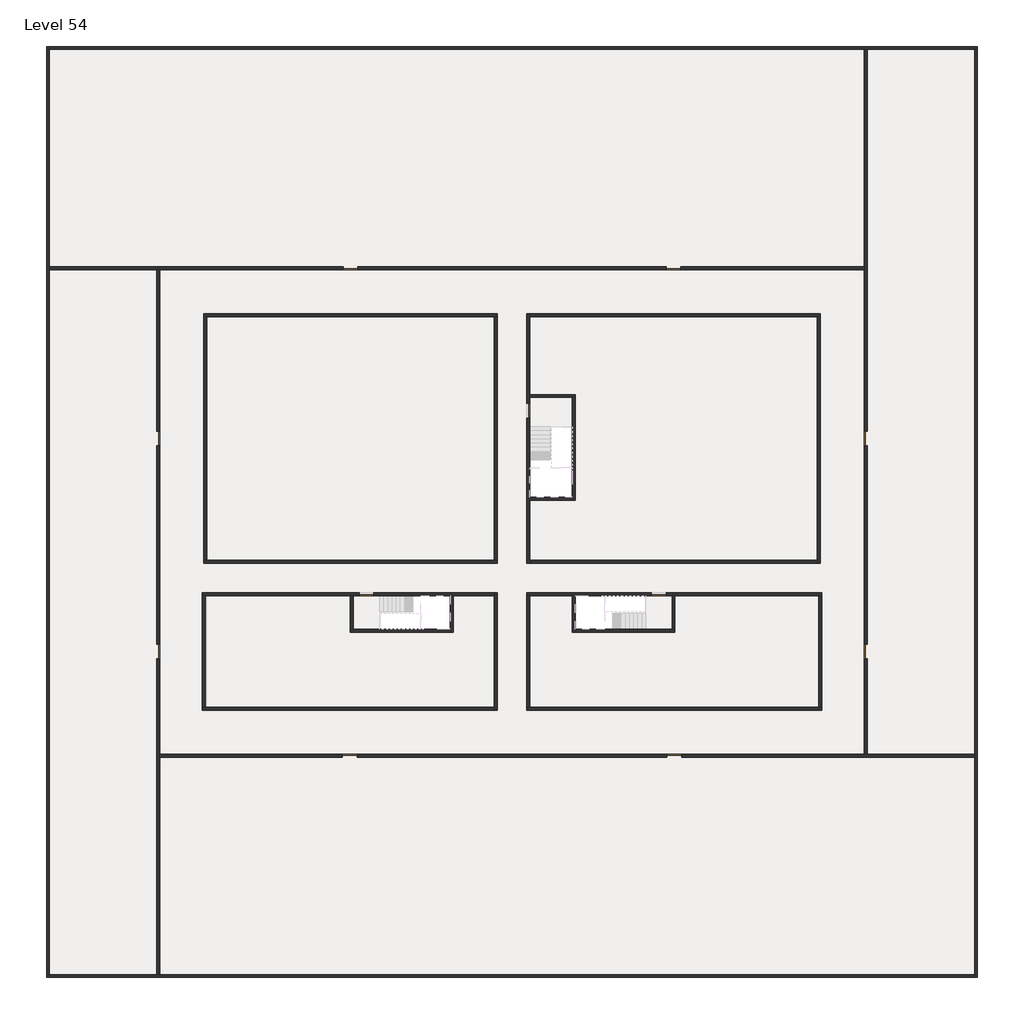
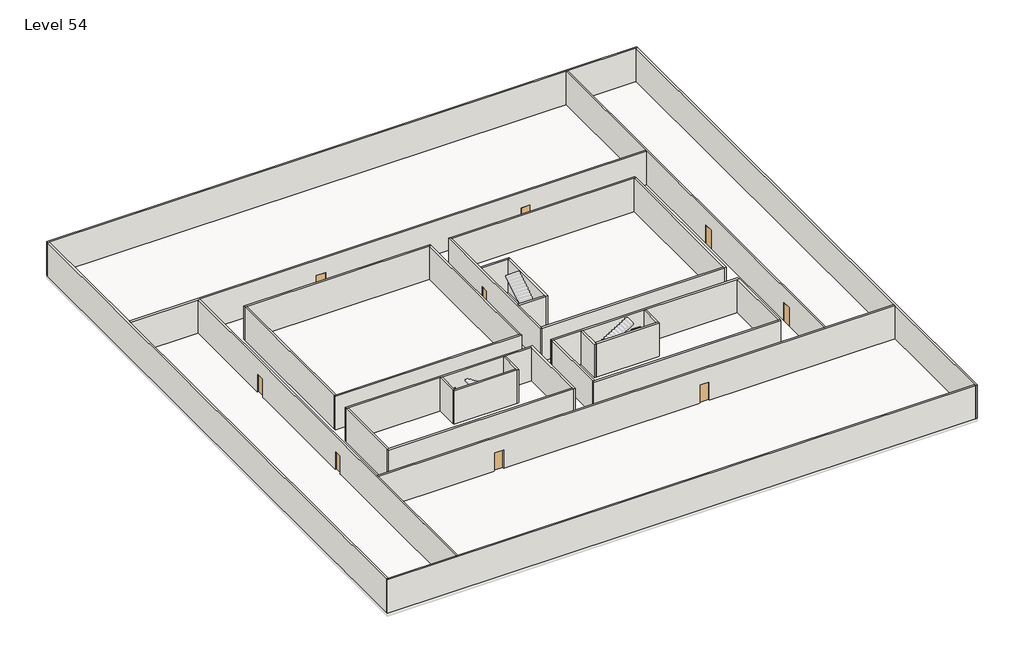
# One storey, part 1 of 2: 33 walls, 11 doors.
"""IFC4 building model written with IfcOpenShell, lengths in millimetres."""

import ifcopenshell
import ifcopenshell.guid

model = None  # the IFC model being written
_history = None  # IfcOwnerHistory: only IFC2X3 demands one
_inside = {}  # id of a spatial element -> (the spatial element, [elements in it])
_under = {}  # id of a project, library or spatial element -> (it, [spatial elements below it])
_declared = {}  # id of a project -> (the project, [libraries it declares])
_typed = {}  # id of a type object -> (the type object, [elements of that type])
_made_of = {}  # id of a material, layer set ... -> (it, [elements and type objects made of it])


def new_model(schema):
    """Start an empty IFC model of exactly this schema.

    Asked for "IFC4X3", IfcOpenShell would pick the latest addendum, in which some entities
    have other attributes; the version numbers below select the first issue.
    IFC2X3 requires an IfcOwnerHistory on every rooted entity: one is made here for all.
    """
    global model, _history
    if schema == "IFC4X3":
        model = ifcopenshell.file(schema_version=(4, 3, 0, 0))
    else:
        model = ifcopenshell.file(schema=schema)
    _inside.clear()
    _under.clear()
    _declared.clear()
    _typed.clear()
    _made_of.clear()
    _history = None
    if model.schema == "IFC2X3":
        org = make("IfcOrganization", Name="unknown")
        user = make(
            "IfcPersonAndOrganization",
            ThePerson=make("IfcPerson", FamilyName="unknown"),
            TheOrganization=org,
        )
        app = make(
            "IfcApplication",
            ApplicationDeveloper=org,
            Version="unknown",
            ApplicationFullName="unknown",
            ApplicationIdentifier="unknown",
        )
        _history = make(
            "IfcOwnerHistory",
            OwningUser=user,
            OwningApplication=app,
            ChangeAction="ADDED",
            CreationDate=0,
        )
    return model


def make(cls, **values):
    """One entity of the class cls with the attributes given. An attribute that is None is left unset."""
    return model.create_entity(
        cls, **{name: value for name, value in values.items() if value is not None}
    )


def rooted(cls, **values):
    """An entity with a GlobalId (a new one), such as an element, a storey or a relation."""
    return make(cls, GlobalId=ifcopenshell.guid.new(), OwnerHistory=_history, **values)


def si_unit(unit_type, name, prefix=None):
    """IfcSIUnit, for example si_unit("LENGTHUNIT", "METRE", prefix="MILLI")."""
    return make("IfcSIUnit", UnitType=unit_type, Prefix=prefix, Name=name)


def assignment(units):
    """IfcUnitAssignment: the units of a project."""
    return None if units is None else make("IfcUnitAssignment", Units=units)


def point(xyz):
    """IfcCartesianPoint."""
    return None if xyz is None else make("IfcCartesianPoint", Coordinates=xyz)


def direction(xyz):
    """IfcDirection."""
    return None if xyz is None else make("IfcDirection", DirectionRatios=xyz)


def frame(location, z_axis=None, x_axis=None):
    """IfcAxis2Placement3D, a coordinate frame: its origin and axes. An axis left out is left unset."""
    return make(
        "IfcAxis2Placement3D",
        Location=point(location),
        Axis=direction(z_axis),
        RefDirection=direction(x_axis),
    )


def origin():
    """The frame at (0, 0, 0) with its axes left unset."""
    return frame((0.0, 0.0, 0.0))


def origin_with_axes():
    """The frame at (0, 0, 0) with the z axis (0, 0, 1) and the x axis (1, 0, 0) written out."""
    return frame((0.0, 0.0, 0.0), z_axis=(0.0, 0.0, 1.0), x_axis=(1.0, 0.0, 0.0))


def place(relative_to, where):
    """IfcLocalPlacement: puts the frame where relative to a parent placement (None: the world)."""
    return make(
        "IfcLocalPlacement", PlacementRelTo=relative_to, RelativePlacement=where
    )


def context(
    kind, dimensions, precision=None, world=None, true_north=None, identifier=None
):
    """IfcGeometricRepresentationContext, for example the 3D "Model" context."""
    return make(
        "IfcGeometricRepresentationContext",
        ContextIdentifier=identifier,
        ContextType=kind,
        CoordinateSpaceDimension=dimensions,
        Precision=precision,
        WorldCoordinateSystem=world,
        TrueNorth=true_north,
    )


def project(units=None, contexts=None):
    """IfcProject with its units and contexts."""
    return rooted(
        "IfcProject",
        Name="project",
        RepresentationContexts=contexts,
        UnitsInContext=assignment(units),
    )


def spatial(cls, under=None, at=None, **own):
    """A site, building, storey or space (cls), placed at a placement, below another one or the project."""
    s = rooted(cls, ObjectPlacement=at, **own)
    if under is not None:
        _under.setdefault(under.id(), (under, []))[1].append(s)
    return s


def polyline(points):
    """IfcPolyline through the points."""
    return make("IfcPolyline", Points=[point(p) for p in points])


def outline(outer, holes=None, kind="AREA"):
    """IfcArbitraryClosedProfileDef: a profile drawn as a closed curve; with holes, ...WithVoids."""
    if holes is None:
        return make("IfcArbitraryClosedProfileDef", ProfileType=kind, OuterCurve=outer)
    return make(
        "IfcArbitraryProfileDefWithVoids",
        ProfileType=kind,
        OuterCurve=outer,
        InnerCurves=holes,
    )


def extrude(swept, where, along, depth):
    """IfcExtrudedAreaSolid: the profile swept, set in the frame where, extruded along a direction by depth."""
    return make(
        "IfcExtrudedAreaSolid",
        SweptArea=swept,
        Position=where,
        ExtrudedDirection=direction(along),
        Depth=depth,
    )


def faces_of(points, faces, orient=None, outer=None):
    """IfcFace entities. A face is a list of loops; a loop is a list of indices into points, from 0.

    orient and outer hold one flag for each loop. By default every Orientation is true, the
    first loop of a face is its IfcFaceOuterBound and the others are IfcFaceBound.
    """
    made = []
    for i, loops in enumerate(faces):
        bounds = []
        for j, loop in enumerate(loops):
            is_outer = j == 0 if outer is None else outer[i][j]
            bounds.append(
                make(
                    "IfcFaceOuterBound" if is_outer else "IfcFaceBound",
                    Bound=make("IfcPolyLoop", Polygon=[points[k] for k in loop]),
                    Orientation=True if orient is None else orient[i][j],
                )
            )
        made.append(make("IfcFace", Bounds=bounds))
    return made


def faceted_brep(points, faces, orient=None, outer=None, voids=None):
    """IfcFacetedBrep: a solid bounded by flat faces; with voids (closed shells), ...WithVoids."""
    shared = [point(p) for p in points]
    hull = make("IfcClosedShell", CfsFaces=faces_of(shared, faces, orient, outer))
    if voids is None:
        return make("IfcFacetedBrep", Outer=hull)
    return make(
        "IfcFacetedBrepWithVoids",
        Outer=hull,
        Voids=[
            make(cls, CfsFaces=faces_of(shared, fs, o, b)) for cls, fs, o, b in voids
        ],
    )


def shape(context_of_items, identifier, shape_type, items):
    """IfcShapeRepresentation: the items that make up one representation, for example the "Body"."""
    return make(
        "IfcShapeRepresentation",
        ContextOfItems=context_of_items,
        RepresentationIdentifier=identifier,
        RepresentationType=shape_type,
        Items=items,
    )


def source(mapping_origin, context_of_items, identifier, shape_type, items):
    """IfcRepresentationMap: a shape defined once, which mapped items show again and again."""
    return make(
        "IfcRepresentationMap",
        MappingOrigin=mapping_origin,
        MappedRepresentation=shape(context_of_items, identifier, shape_type, items),
    )


def transform(
    local_origin,
    x_axis=None,
    y_axis=None,
    z_axis=None,
    scale=None,
    scale2=None,
    scale3=None,
    uniform=True,
):
    """IfcCartesianTransformationOperator3D, or its non-uniform kind. x_axis, y_axis, z_axis: its Axis1, 2, 3."""
    if uniform:
        return make(
            "IfcCartesianTransformationOperator3D",
            Axis1=direction(x_axis),
            Axis2=direction(y_axis),
            LocalOrigin=point(local_origin),
            Scale=scale,
            Axis3=direction(z_axis),
        )
    return make(
        "IfcCartesianTransformationOperator3DnonUniform",
        Axis1=direction(x_axis),
        Axis2=direction(y_axis),
        LocalOrigin=point(local_origin),
        Scale=scale,
        Axis3=direction(z_axis),
        Scale2=scale2,
        Scale3=scale3,
    )


def mapped(mapping_source, mapping_target):
    """IfcMappedItem: shows the shape of a source again, moved by a transform."""
    return make(
        "IfcMappedItem", MappingSource=mapping_source, MappingTarget=mapping_target
    )


def made_of(thing, what):
    """Note that an element or type object is made of a material, layer set ...; save() writes the relation."""
    if what is not None:
        _made_of.setdefault(what.id(), (what, []))[1].append(thing)
    return thing


def element(
    cls,
    number,
    at=None,
    inside=None,
    cuts=None,
    type_object=None,
    material=None,
    context=None,
    identifier="Body",
    shape_type=None,
    held_by="IfcProductDefinitionShape",
    body=None,
    shapes=None,
    **own,
):
    """One element of the class cls, such as IfcWall. Its Tag is "e" and its number.

    at: its placement. inside: the storey or other place that contains it. cuts: it is an
    opening in that element (IfcRelVoidsElement). A single representation is given by context,
    identifier, shape_type and body (its items); several are given by shapes. held_by: the class
    of the entity that holds the representations. save() writes the other relations.
    """
    e = rooted(cls, Tag="e%d" % number, ObjectPlacement=at, **own)
    if body is not None:
        shapes = [shape(context, identifier, shape_type, body)]
    if shapes is not None:
        e.Representation = make(held_by, Representations=shapes)
    if inside is not None:
        _inside.setdefault(inside.id(), (inside, []))[1].append(e)
    if cuts is not None:
        rooted(
            "IfcRelVoidsElement", RelatingBuildingElement=cuts, RelatedOpeningElement=e
        )
    if type_object is not None:
        _typed.setdefault(type_object.id(), (type_object, []))[1].append(e)
    return made_of(e, material)


def aggregate(whole, parts):
    """IfcRelAggregates: a whole, such as a stair, and the parts it consists of."""
    return rooted("IfcRelAggregates", RelatingObject=whole, RelatedObjects=parts)


def save(model, path):
    """Write the relations noted so far, then the file.

    IfcRelAggregates (storeys below a building ...), IfcRelContainedInSpatialStructure (elements
    in a storey), IfcRelDefinesByType, IfcRelAssociatesMaterial and IfcRelDeclares: one each for
    every whole, place, type object, material and project.
    """
    for whole, parts in _under.values():
        aggregate(whole, parts)
    for where, things in _inside.values():
        rooted(
            "IfcRelContainedInSpatialStructure",
            RelatedElements=things,
            RelatingStructure=where,
        )
    for kind, things in _typed.values():
        rooted("IfcRelDefinesByType", RelatedObjects=things, RelatingType=kind)
    for what, things in _made_of.values():
        rooted("IfcRelAssociatesMaterial", RelatedObjects=things, RelatingMaterial=what)
    for by, libraries in _declared.values():
        rooted("IfcRelDeclares", RelatingContext=by, RelatedDefinitions=libraries)
    model.write(path)


def door_fb3c37fd(model_context):
    return source(origin(), model_context, "Body", "SweptSolid", [
        extrude(outline(polyline([(500.0, 49.0), (-500.0, 49.0), (-500.0, 100.0), (500.0, 100.0), (500.0, 49.0)])), origin_with_axes(), (0.0, 0.0, 1.0), 2100.0),
    ])


def door_0317a72c(model_context):
    return source(origin(), model_context, "Body", "SweptSolid", [
        extrude(outline(polyline([(500.0, -49.0), (500.0, -100.0), (-500.0, -100.0), (-500.0, -49.0), (500.0, -49.0)])), origin_with_axes(), (0.0, 0.0, 1.0), 2100.0),
    ])


model = new_model("IFC4")

# Units and contexts
model_context = context("Model", 3, world=origin())
ifc_project = project(units=[si_unit("LENGTHUNIT", "METRE", prefix="MILLI")], contexts=[model_context])

# Site, building, storey
site = spatial("IfcSite", under=ifc_project)
building = spatial("IfcBuilding", under=site)
storey = spatial("IfcBuildingStorey", under=building, Name="Level 54", Elevation=201400.0)

# Doors
placement = place(None, origin())
door_shape = door_fb3c37fd(model_context)
element("IfcDoor", 1, at=placement, inside=storey, context=model_context, shape_type="MappedRepresentation", body=[
    mapped(door_shape, transform((14290.1058784, -42818.09644, 201400.0), x_axis=(-1.0, 0.0, 0.0), y_axis=(0.0, -1.0, 0.0), z_axis=(0.0, 0.0, 1.0))),
])
element("IfcDoor", 2, at=placement, inside=storey, context=model_context, shape_type="MappedRepresentation", body=[
    mapped(door_shape, transform((35190.1058784, -20618.09644, 201400.0), x_axis=(-1.0, 0.0, 0.0), y_axis=(0.0, -1.0, 0.0), z_axis=(0.0, 0.0, 1.0))),
])
element("IfcDoor", 3, at=placement, inside=storey, context=model_context, shape_type="MappedRepresentation", body=[
    mapped(door_shape, transform((13190.1058784, -20618.09644, 201400.0), x_axis=(-1.0, 0.0, 0.0), y_axis=(0.0, -1.0, 0.0), z_axis=(0.0, 0.0, 1.0))),
])
element("IfcDoor", 4, at=placement, inside=storey, context=model_context, shape_type="MappedRepresentation", body=[
    mapped(door_shape, transform((90.1058784, -32218.09644, 201400.0), x_axis=(0.0, -1.0, 0.0), y_axis=(1.0, 0.0, 0.0), z_axis=(0.0, 0.0, 1.0))),
])
element("IfcDoor", 5, at=placement, inside=storey, context=model_context, shape_type="MappedRepresentation", body=[
    mapped(door_shape, transform((90.1058784, -46718.09644, 201400.0), x_axis=(0.0, -1.0, 0.0), y_axis=(1.0, 0.0, 0.0), z_axis=(0.0, 0.0, 1.0))),
])
element("IfcDoor", 6, at=placement, inside=storey, context=model_context, shape_type="MappedRepresentation", body=[
    mapped(door_shape, transform((13140.1058784, -53818.09644, 201400.0), x_axis=(1.0, 0.0, 0.0), y_axis=(0.0, 1.0, 0.0), z_axis=(0.0, 0.0, 1.0))),
])
element("IfcDoor", 7, at=placement, inside=storey, context=model_context, shape_type="MappedRepresentation", body=[
    mapped(door_shape, transform((35240.1058784, -53818.09644, 201400.0), x_axis=(1.0, 0.0, 0.0), y_axis=(0.0, 1.0, 0.0), z_axis=(0.0, 0.0, 1.0))),
])
door_2_shape = door_0317a72c(model_context)
element("IfcDoor", 8, at=placement, inside=storey, context=model_context, shape_type="MappedRepresentation", body=[
    mapped(door_2_shape, transform((25290.1058784, -30318.09644, 201400.0), x_axis=(0.0, 1.0, 0.0), y_axis=(-1.0, 0.0, 0.0), z_axis=(0.0, 0.0, 1.0))),
])
element("IfcDoor", 9, at=placement, inside=storey, context=model_context, shape_type="MappedRepresentation", body=[
    mapped(door_2_shape, transform((34190.1058784, -42818.09644, 201400.0), x_axis=(1.0, 0.0, 0.0), y_axis=(0.0, 1.0, 0.0), z_axis=(0.0, 0.0, 1.0))),
])
element("IfcDoor", 10, at=placement, inside=storey, context=model_context, shape_type="MappedRepresentation", body=[
    mapped(door_2_shape, transform((48290.1058784, -46718.09644, 201400.0), x_axis=(0.0, -1.0, 0.0), y_axis=(1.0, 0.0, 0.0), z_axis=(0.0, 0.0, 1.0))),
])
element("IfcDoor", 11, at=placement, inside=storey, context=model_context, shape_type="MappedRepresentation", body=[
    mapped(door_2_shape, transform((48290.1058784, -32218.09644, 201400.0), x_axis=(0.0, -1.0, 0.0), y_axis=(1.0, 0.0, 0.0), z_axis=(0.0, 0.0, 1.0))),
])

# Walls
element("IfcWall", 12, at=placement, inside=storey, context=model_context, shape_type="Brep", body=[
    faceted_brep([(-7509.8941216, -5718.09644, 201400.0), (-7309.8941216, -5718.09644, 201400.0), (48190.1058784, -5718.09644, 201400.0), (48390.1058784, -5718.09644, 201400.0), (55690.1058784, -5718.09644, 201400.0), (55890.1058784, -5718.09644, 201400.0), (55890.1058784, -5718.09644, 205200.0), (55690.1058784, -5718.09644, 205200.0), (48390.1058784, -5718.09644, 205200.0), (48190.1058784, -5718.09644, 205200.0), (-7309.8941216, -5718.09644, 205200.0), (-7509.8941216, -5718.09644, 205200.0), (-7509.8941216, -5518.09644, 201400.0), (-7509.8941216, -5518.09644, 205200.0), (55890.1058784, -5518.09644, 205200.0), (55890.1058784, -5518.09644, 201400.0)], [[[0, 1, 2, 3, 4, 5, 6, 7, 8, 9, 10, 11]], [[12, 13, 14, 15]], [[5, 4, 3, 2, 1, 0, 12, 15]], [[11, 10, 9, 8, 7, 6, 14, 13]], [[0, 11, 13, 12]], [[6, 5, 15, 14]]]),
])
element("IfcWall", 13, at=placement, inside=storey, context=model_context, shape_type="Brep", body=[
    faceted_brep([(55690.1058784, -5718.09644, 201400.0), (55690.1058784, -53718.09644, 201400.0), (55690.1058784, -53918.09644, 201400.0), (55690.1058784, -68718.09644, 201400.0), (55690.1058784, -68918.09644, 201400.0), (55690.1058784, -68918.09644, 205200.0), (55690.1058784, -68718.09644, 205200.0), (55690.1058784, -53918.09644, 205200.0), (55690.1058784, -53718.09644, 205200.0), (55690.1058784, -5718.09644, 205200.0), (55890.1058784, -5718.09644, 201400.0), (55890.1058784, -5718.09644, 205200.0), (55890.1058784, -68918.09644, 205200.0), (55890.1058784, -68918.09644, 201400.0)], [[[0, 1, 2, 3, 4, 5, 6, 7, 8, 9]], [[10, 11, 12, 13]], [[4, 3, 2, 1, 0, 10, 13]], [[9, 8, 7, 6, 5, 12, 11]], [[5, 4, 13, 12]], [[0, 9, 11, 10]]]),
])
element("IfcWall", 14, at=placement, inside=storey, context=model_context, shape_type="Brep", body=[
    faceted_brep([(55690.1058784, -68718.09644, 201400.0), (190.1058784, -68718.09644, 201400.0), (-9.8941216, -68718.09644, 201400.0), (-7309.8941216, -68718.09644, 201400.0), (-7509.8941216, -68718.09644, 201400.0), (-7509.8941216, -68718.09644, 205200.0), (-7309.8941216, -68718.09644, 205200.0), (-9.8941216, -68718.09644, 205200.0), (190.1058784, -68718.09644, 205200.0), (55690.1058784, -68718.09644, 205200.0), (55690.1058784, -68918.09644, 201400.0), (55690.1058784, -68918.09644, 205200.0), (-7509.8941216, -68918.09644, 205200.0), (-7509.8941216, -68918.09644, 201400.0)], [[[0, 1, 2, 3, 4, 5, 6, 7, 8, 9]], [[10, 11, 12, 13]], [[4, 3, 2, 1, 0, 10, 13]], [[9, 8, 7, 6, 5, 12, 11]], [[5, 4, 13, 12]], [[0, 9, 11, 10]]]),
])
element("IfcWall", 15, at=placement, inside=storey, context=model_context, shape_type="Brep", body=[
    faceted_brep([(-7309.8941216, -68718.09644, 201400.0), (-7309.8941216, -20718.09644, 201400.0), (-7309.8941216, -20518.09644, 201400.0), (-7309.8941216, -5718.09644, 201400.0), (-7309.8941216, -5718.09644, 205200.0), (-7309.8941216, -20518.09644, 205200.0), (-7309.8941216, -20718.09644, 205200.0), (-7309.8941216, -68718.09644, 205200.0), (-7509.8941216, -68718.09644, 201400.0), (-7509.8941216, -68718.09644, 205200.0), (-7509.8941216, -5718.09644, 205200.0), (-7509.8941216, -5718.09644, 201400.0)], [[[0, 1, 2, 3, 4, 5, 6, 7]], [[8, 9, 10, 11]], [[3, 2, 1, 0, 8, 11]], [[7, 6, 5, 4, 10, 9]], [[0, 7, 9, 8]], [[4, 3, 11, 10]]]),
])
element("IfcWall", 16, at=placement, inside=storey, context=model_context, shape_type="Brep", body=[
    faceted_brep([(3190.1058784, -23918.09644, 201400.0), (3390.1058784, -23918.09644, 201400.0), (22990.1058784, -23918.09644, 201400.0), (23190.1058784, -23918.09644, 201400.0), (23190.1058784, -23918.09644, 205200.0), (22990.1058784, -23918.09644, 205200.0), (3390.1058784, -23918.09644, 205200.0), (3190.1058784, -23918.09644, 205200.0), (3190.1058784, -23718.09644, 201400.0), (3190.1058784, -23718.09644, 205200.0), (23190.1058784, -23718.09644, 205200.0), (23190.1058784, -23718.09644, 201400.0)], [[[0, 1, 2, 3, 4, 5, 6, 7]], [[8, 9, 10, 11]], [[3, 2, 1, 0, 8, 11]], [[7, 6, 5, 4, 10, 9]], [[4, 3, 11, 10]], [[0, 7, 9, 8]]]),
])
element("IfcWall", 17, at=placement, inside=storey, context=model_context, shape_type="Brep", body=[
    faceted_brep([(44990.1058784, -23918.09644, 201400.0), (44990.1058784, -40518.09644, 201400.0), (44990.1058784, -40718.09644, 201400.0), (44990.1058784, -40718.09644, 205200.0), (44990.1058784, -40518.09644, 205200.0), (44990.1058784, -23918.09644, 205200.0), (45190.1058784, -23918.09644, 201400.0), (45190.1058784, -23918.09644, 205200.0), (45190.1058784, -40718.09644, 205200.0), (45190.1058784, -40718.09644, 201400.0)], [[[0, 1, 2, 3, 4, 5]], [[6, 7, 8, 9]], [[2, 1, 0, 6, 9]], [[5, 4, 3, 8, 7]], [[3, 2, 9, 8]], [[0, 5, 7, 6]]]),
])
element("IfcWall", 18, at=placement, inside=storey, context=model_context, shape_type="Brep", body=[
    faceted_brep([(45290.1058784, -50518.09644, 201400.0), (45090.1058784, -50518.09644, 201400.0), (25390.1058784, -50518.09644, 201400.0), (25190.1058784, -50518.09644, 201400.0), (25190.1058784, -50518.09644, 205200.0), (25390.1058784, -50518.09644, 205200.0), (45090.1058784, -50518.09644, 205200.0), (45290.1058784, -50518.09644, 205200.0), (45290.1058784, -50718.09644, 201400.0), (45290.1058784, -50718.09644, 205200.0), (25190.1058784, -50718.09644, 205200.0), (25190.1058784, -50718.09644, 201400.0)], [[[0, 1, 2, 3, 4, 5, 6, 7]], [[8, 9, 10, 11]], [[3, 2, 1, 0, 8, 11]], [[7, 6, 5, 4, 10, 9]], [[4, 3, 11, 10]], [[0, 7, 9, 8]]]),
])
element("IfcWall", 19, at=placement, inside=storey, context=model_context, shape_type="SweptSolid", body=[
    extrude(outline(polyline([(22990.1058784, -40518.09644), (22990.1058784, -23918.09644), (23190.1058784, -23918.09644), (23190.1058784, -40518.09644), (22990.1058784, -40518.09644)])), frame((0.0, 0.0, 201400.0), z_axis=(0.0, 0.0, 1.0), x_axis=(1.0, 0.0, 0.0)), (0.0, 0.0, 1.0), 3800.0),
])
element("IfcWall", 20, at=placement, inside=storey, context=model_context, shape_type="Brep", body=[
    faceted_brep([(23190.1058784, -40518.09644, 201400.0), (22990.1058784, -40518.09644, 201400.0), (3390.1058784, -40518.09644, 201400.0), (3190.1058784, -40518.09644, 201400.0), (3190.1058784, -40518.09644, 205200.0), (3390.1058784, -40518.09644, 205200.0), (22990.1058784, -40518.09644, 205200.0), (23190.1058784, -40518.09644, 205200.0), (23190.1058784, -40718.09644, 201400.0), (23190.1058784, -40718.09644, 205200.0), (3190.1058784, -40718.09644, 205200.0), (3190.1058784, -40718.09644, 201400.0)], [[[0, 1, 2, 3, 4, 5, 6, 7]], [[8, 9, 10, 11]], [[3, 2, 1, 0, 8, 11]], [[7, 6, 5, 4, 10, 9]], [[0, 7, 9, 8]], [[4, 3, 11, 10]]]),
])
element("IfcWall", 21, at=placement, inside=storey, context=model_context, shape_type="Brep", body=[
    faceted_brep([(3090.1058784, -42918.09644, 201400.0), (3290.1058784, -42918.09644, 201400.0), (13190.1058784, -42918.09644, 201400.0), (13390.1058784, -42918.09644, 201400.0), (13790.1058784, -42918.09644, 201400.0), (13790.1058784, -42918.09644, 203500.0), (14790.1058784, -42918.09644, 203500.0), (14790.1058784, -42918.09644, 201400.0), (19990.1058784, -42918.09644, 201400.0), (20190.1058784, -42918.09644, 201400.0), (22990.1058784, -42918.09644, 201400.0), (22990.1058784, -42918.09644, 205200.0), (20190.1058784, -42918.09644, 205200.0), (19990.1058784, -42918.09644, 205200.0), (13390.1058784, -42918.09644, 205200.0), (13190.1058784, -42918.09644, 205200.0), (3290.1058784, -42918.09644, 205200.0), (3090.1058784, -42918.09644, 205200.0), (13790.1058784, -42718.09644, 203500.0), (13790.1058784, -42718.09644, 201400.0), (3090.1058784, -42718.09644, 201400.0), (3090.1058784, -42718.09644, 205200.0), (22990.1058784, -42718.09644, 205200.0), (22990.1058784, -42718.09644, 201400.0), (14790.1058784, -42718.09644, 201400.0), (14790.1058784, -42718.09644, 203500.0)], [[[0, 1, 2, 3, 4, 5, 6, 7, 8, 9, 10, 11, 12, 13, 14, 15, 16, 17]], [[18, 19, 20, 21, 22, 23, 24, 25]], [[24, 23, 10, 9, 8, 7]], [[20, 19, 4, 3, 2, 1, 0]], [[17, 16, 15, 14, 13, 12, 11, 22, 21]], [[5, 4, 19, 18]], [[6, 5, 18, 25]], [[7, 6, 25, 24]], [[0, 17, 21, 20]], [[11, 10, 23, 22]]]),
])
element("IfcWall", 22, at=placement, inside=storey, context=model_context, shape_type="SweptSolid", body=[
    extrude(outline(polyline([(25390.1058784, -40518.09644), (44990.1058784, -40518.09644), (44990.1058784, -40718.09644), (25390.1058784, -40718.09644), (25390.1058784, -40518.09644)])), frame((0.0, 0.0, 201400.0), z_axis=(0.0, 0.0, 1.0), x_axis=(1.0, 0.0, 0.0)), (0.0, 0.0, 1.0), 3800.0),
])
element("IfcWall", 23, at=placement, inside=storey, context=model_context, shape_type="Brep", body=[
    faceted_brep([(25390.1058784, -29818.09644, 203500.0), (25390.1058784, -29818.09644, 201400.0), (25390.1058784, -29418.09644, 201400.0), (25390.1058784, -29218.09644, 201400.0), (25390.1058784, -23918.09644, 201400.0), (25390.1058784, -23718.09644, 201400.0), (25390.1058784, -23718.09644, 205200.0), (25390.1058784, -23918.09644, 205200.0), (25390.1058784, -29218.09644, 205200.0), (25390.1058784, -29418.09644, 205200.0), (25390.1058784, -36218.09644, 205200.0), (25390.1058784, -36418.09644, 205200.0), (25390.1058784, -40518.09644, 205200.0), (25390.1058784, -40718.09644, 205200.0), (25390.1058784, -40718.09644, 201400.0), (25390.1058784, -40518.09644, 201400.0), (25390.1058784, -36418.09644, 201400.0), (25390.1058784, -36218.09644, 201400.0), (25390.1058784, -30818.09644, 201400.0), (25390.1058784, -30818.09644, 203500.0), (25190.1058784, -23718.09644, 201400.0), (25190.1058784, -29818.09644, 201400.0), (25190.1058784, -29818.09644, 203500.0), (25190.1058784, -30818.09644, 203500.0), (25190.1058784, -30818.09644, 201400.0), (25190.1058784, -40718.09644, 201400.0), (25190.1058784, -40718.09644, 205200.0), (25190.1058784, -23718.09644, 205200.0)], [[[0, 1, 2, 3, 4, 5, 6, 7, 8, 9, 10, 11, 12, 13, 14, 15, 16, 17, 18, 19]], [[20, 21, 22, 23, 24, 25, 26, 27]], [[5, 4, 3, 2, 1, 21, 20]], [[18, 17, 16, 15, 14, 25, 24]], [[13, 12, 11, 10, 9, 8, 7, 6, 27, 26]], [[22, 21, 1, 0]], [[23, 22, 0, 19]], [[24, 23, 19, 18]], [[14, 13, 26, 25]], [[6, 5, 20, 27]]]),
])
element("IfcWall", 24, at=placement, inside=storey, context=model_context, shape_type="SweptSolid", body=[
    extrude(outline(polyline([(3390.1058784, -23918.09644), (3390.1058784, -40518.09644), (3190.1058784, -40518.09644), (3190.1058784, -23918.09644), (3390.1058784, -23918.09644)])), frame((0.0, 0.0, 201400.0), z_axis=(0.0, 0.0, 1.0), x_axis=(1.0, 0.0, 0.0)), (0.0, 0.0, 1.0), 3800.0),
])
element("IfcWall", 25, at=placement, inside=storey, context=model_context, shape_type="Brep", body=[
    faceted_brep([(25390.1058784, -23918.09644, 201400.0), (44990.1058784, -23918.09644, 201400.0), (45190.1058784, -23918.09644, 201400.0), (45190.1058784, -23918.09644, 205200.0), (44990.1058784, -23918.09644, 205200.0), (25390.1058784, -23918.09644, 205200.0), (25390.1058784, -23718.09644, 201400.0), (25390.1058784, -23718.09644, 205200.0), (45190.1058784, -23718.09644, 205200.0), (45190.1058784, -23718.09644, 201400.0)], [[[0, 1, 2, 3, 4, 5]], [[6, 7, 8, 9]], [[2, 1, 0, 6, 9]], [[5, 4, 3, 8, 7]], [[3, 2, 9, 8]], [[0, 5, 7, 6]]]),
])
element("IfcWall", 26, at=placement, inside=storey, context=model_context, shape_type="Brep", body=[
    faceted_brep([(25390.1058784, -29418.09644, 201400.0), (28290.1058784, -29418.09644, 201400.0), (28490.1058784, -29418.09644, 201400.0), (28490.1058784, -29418.09644, 205200.0), (28290.1058784, -29418.09644, 205200.0), (25390.1058784, -29418.09644, 205200.0), (25390.1058784, -29218.09644, 201400.0), (25390.1058784, -29218.09644, 205200.0), (28490.1058784, -29218.09644, 205200.0), (28490.1058784, -29218.09644, 201400.0)], [[[0, 1, 2, 3, 4, 5]], [[6, 7, 8, 9]], [[2, 1, 0, 6, 9]], [[5, 4, 3, 8, 7]], [[3, 2, 9, 8]], [[0, 5, 7, 6]]]),
])
element("IfcWall", 27, at=placement, inside=storey, context=model_context, shape_type="Brep", body=[
    faceted_brep([(28290.1058784, -29418.09644, 201400.0), (28290.1058784, -36218.09644, 201400.0), (28290.1058784, -36418.09644, 201400.0), (28290.1058784, -36418.09644, 205200.0), (28290.1058784, -36218.09644, 205200.0), (28290.1058784, -29418.09644, 205200.0), (28490.1058784, -29418.09644, 201400.0), (28490.1058784, -29418.09644, 205200.0), (28490.1058784, -36418.09644, 205200.0), (28490.1058784, -36418.09644, 201400.0)], [[[0, 1, 2, 3, 4, 5]], [[6, 7, 8, 9]], [[2, 1, 0, 6, 9]], [[5, 4, 3, 8, 7]], [[3, 2, 9, 8]], [[0, 5, 7, 6]]]),
])
element("IfcWall", 28, at=placement, inside=storey, context=model_context, shape_type="SweptSolid", body=[
    extrude(outline(polyline([(25390.1058784, -36218.09644), (28290.1058784, -36218.09644), (28290.1058784, -36418.09644), (25390.1058784, -36418.09644), (25390.1058784, -36218.09644)])), frame((0.0, 0.0, 201400.0), z_axis=(0.0, 0.0, 1.0), x_axis=(1.0, 0.0, 0.0)), (0.0, 0.0, 1.0), 3800.0),
])
element("IfcWall", 29, at=placement, inside=storey, context=model_context, shape_type="SweptSolid", body=[
    extrude(outline(polyline([(25190.1058784, -50518.09644), (25190.1058784, -42918.09644), (25390.1058784, -42918.09644), (25390.1058784, -50518.09644), (25190.1058784, -50518.09644)])), frame((0.0, 0.0, 201400.0), z_axis=(0.0, 0.0, 1.0), x_axis=(1.0, 0.0, 0.0)), (0.0, 0.0, 1.0), 3800.0),
])
element("IfcWall", 30, at=placement, inside=storey, context=model_context, shape_type="Brep", body=[
    faceted_brep([(22990.1058784, -42718.09644, 201400.0), (22990.1058784, -42918.09644, 201400.0), (22990.1058784, -50518.09644, 201400.0), (22990.1058784, -50718.09644, 201400.0), (22990.1058784, -50718.09644, 205200.0), (22990.1058784, -50518.09644, 205200.0), (22990.1058784, -42918.09644, 205200.0), (22990.1058784, -42718.09644, 205200.0), (23190.1058784, -42718.09644, 201400.0), (23190.1058784, -42718.09644, 205200.0), (23190.1058784, -50718.09644, 205200.0), (23190.1058784, -50718.09644, 201400.0)], [[[0, 1, 2, 3, 4, 5, 6, 7]], [[8, 9, 10, 11]], [[3, 2, 1, 0, 8, 11]], [[7, 6, 5, 4, 10, 9]], [[4, 3, 11, 10]], [[0, 7, 9, 8]]]),
])
element("IfcWall", 31, at=placement, inside=storey, context=model_context, shape_type="Brep", body=[
    faceted_brep([(34690.1058784, -42918.09644, 203500.0), (34690.1058784, -42918.09644, 201400.0), (35090.1058784, -42918.09644, 201400.0), (35290.1058784, -42918.09644, 201400.0), (45090.1058784, -42918.09644, 201400.0), (45290.1058784, -42918.09644, 201400.0), (45290.1058784, -42918.09644, 205200.0), (45090.1058784, -42918.09644, 205200.0), (35290.1058784, -42918.09644, 205200.0), (35090.1058784, -42918.09644, 205200.0), (28490.1058784, -42918.09644, 205200.0), (28290.1058784, -42918.09644, 205200.0), (25390.1058784, -42918.09644, 205200.0), (25190.1058784, -42918.09644, 205200.0), (25190.1058784, -42918.09644, 201400.0), (25390.1058784, -42918.09644, 201400.0), (28290.1058784, -42918.09644, 201400.0), (28490.1058784, -42918.09644, 201400.0), (33690.1058784, -42918.09644, 201400.0), (33690.1058784, -42918.09644, 203500.0), (45290.1058784, -42718.09644, 201400.0), (34690.1058784, -42718.09644, 201400.0), (34690.1058784, -42718.09644, 203500.0), (33690.1058784, -42718.09644, 203500.0), (33690.1058784, -42718.09644, 201400.0), (25190.1058784, -42718.09644, 201400.0), (25190.1058784, -42718.09644, 205200.0), (45290.1058784, -42718.09644, 205200.0)], [[[0, 1, 2, 3, 4, 5, 6, 7, 8, 9, 10, 11, 12, 13, 14, 15, 16, 17, 18, 19]], [[20, 21, 22, 23, 24, 25, 26, 27]], [[5, 4, 3, 2, 1, 21, 20]], [[18, 17, 16, 15, 14, 25, 24]], [[13, 12, 11, 10, 9, 8, 7, 6, 27, 26]], [[22, 21, 1, 0]], [[23, 22, 0, 19]], [[24, 23, 19, 18]], [[14, 13, 26, 25]], [[6, 5, 20, 27]]]),
])
element("IfcWall", 32, at=placement, inside=storey, context=model_context, shape_type="Brep", body=[
    faceted_brep([(22990.1058784, -50518.09644, 201400.0), (3290.1058784, -50518.09644, 201400.0), (3090.1058784, -50518.09644, 201400.0), (3090.1058784, -50518.09644, 205200.0), (3290.1058784, -50518.09644, 205200.0), (22990.1058784, -50518.09644, 205200.0), (22990.1058784, -50718.09644, 201400.0), (22990.1058784, -50718.09644, 205200.0), (3090.1058784, -50718.09644, 205200.0), (3090.1058784, -50718.09644, 201400.0)], [[[0, 1, 2, 3, 4, 5]], [[6, 7, 8, 9]], [[2, 1, 0, 6, 9]], [[5, 4, 3, 8, 7]], [[0, 5, 7, 6]], [[3, 2, 9, 8]]]),
])
element("IfcWall", 33, at=placement, inside=storey, context=model_context, shape_type="Brep", body=[
    faceted_brep([(28290.1058784, -42918.09644, 201400.0), (28290.1058784, -45418.09644, 201400.0), (28290.1058784, -45418.09644, 205200.0), (28290.1058784, -42918.09644, 205200.0), (28490.1058784, -42918.09644, 201400.0), (28490.1058784, -42918.09644, 205200.0), (28490.1058784, -45218.09644, 205200.0), (28490.1058784, -45418.09644, 205200.0), (28490.1058784, -45418.09644, 201400.0), (28490.1058784, -45218.09644, 201400.0)], [[[0, 1, 2, 3]], [[4, 5, 6, 7, 8, 9]], [[1, 0, 4, 9, 8]], [[3, 2, 7, 6, 5]], [[2, 1, 8, 7]], [[0, 3, 5, 4]]]),
])
element("IfcWall", 34, at=placement, inside=storey, context=model_context, shape_type="Brep", body=[
    faceted_brep([(28490.1058784, -45418.09644, 201400.0), (35290.1058784, -45418.09644, 201400.0), (35290.1058784, -45418.09644, 205200.0), (28490.1058784, -45418.09644, 205200.0), (28490.1058784, -45218.09644, 201400.0), (28490.1058784, -45218.09644, 205200.0), (35090.1058784, -45218.09644, 205200.0), (35290.1058784, -45218.09644, 205200.0), (35290.1058784, -45218.09644, 201400.0), (35090.1058784, -45218.09644, 201400.0)], [[[0, 1, 2, 3]], [[4, 5, 6, 7, 8, 9]], [[1, 0, 4, 9, 8]], [[3, 2, 7, 6, 5]], [[2, 1, 8, 7]], [[0, 3, 5, 4]]]),
])
element("IfcWall", 35, at=placement, inside=storey, context=model_context, shape_type="SweptSolid", body=[
    extrude(outline(polyline([(35290.1058784, -42918.09644), (35290.1058784, -45218.09644), (35090.1058784, -45218.09644), (35090.1058784, -42918.09644), (35290.1058784, -42918.09644)])), frame((0.0, 0.0, 201400.0), z_axis=(0.0, 0.0, 1.0), x_axis=(1.0, 0.0, 0.0)), (0.0, 0.0, 1.0), 3800.0),
])
element("IfcWall", 36, at=placement, inside=storey, context=model_context, shape_type="Brep", body=[
    faceted_brep([(19990.1058784, -42918.09644, 201400.0), (19990.1058784, -45218.09644, 201400.0), (19990.1058784, -45418.09644, 201400.0), (19990.1058784, -45418.09644, 205200.0), (19990.1058784, -45218.09644, 205200.0), (19990.1058784, -42918.09644, 205200.0), (20190.1058784, -42918.09644, 201400.0), (20190.1058784, -42918.09644, 205200.0), (20190.1058784, -45418.09644, 205200.0), (20190.1058784, -45418.09644, 201400.0)], [[[0, 1, 2, 3, 4, 5]], [[6, 7, 8, 9]], [[2, 1, 0, 6, 9]], [[5, 4, 3, 8, 7]], [[3, 2, 9, 8]], [[0, 5, 7, 6]]]),
])
element("IfcWall", 37, at=placement, inside=storey, context=model_context, shape_type="Brep", body=[
    faceted_brep([(19990.1058784, -45218.09644, 201400.0), (13390.1058784, -45218.09644, 201400.0), (13190.1058784, -45218.09644, 201400.0), (13190.1058784, -45218.09644, 205200.0), (13390.1058784, -45218.09644, 205200.0), (19990.1058784, -45218.09644, 205200.0), (19990.1058784, -45418.09644, 201400.0), (19990.1058784, -45418.09644, 205200.0), (13190.1058784, -45418.09644, 205200.0), (13190.1058784, -45418.09644, 201400.0)], [[[0, 1, 2, 3, 4, 5]], [[6, 7, 8, 9]], [[2, 1, 0, 6, 9]], [[5, 4, 3, 8, 7]], [[0, 5, 7, 6]], [[3, 2, 9, 8]]]),
])
element("IfcWall", 38, at=placement, inside=storey, context=model_context, shape_type="SweptSolid", body=[
    extrude(outline(polyline([(13390.1058784, -42918.09644), (13390.1058784, -45218.09644), (13190.1058784, -45218.09644), (13190.1058784, -42918.09644), (13390.1058784, -42918.09644)])), frame((0.0, 0.0, 201400.0), z_axis=(0.0, 0.0, 1.0), x_axis=(1.0, 0.0, 0.0)), (0.0, 0.0, 1.0), 3800.0),
])
element("IfcWall", 39, at=placement, inside=storey, context=model_context, shape_type="SweptSolid", body=[
    extrude(outline(polyline([(45290.1058784, -42918.09644), (45290.1058784, -50518.09644), (45090.1058784, -50518.09644), (45090.1058784, -42918.09644), (45290.1058784, -42918.09644)])), frame((0.0, 0.0, 201400.0), z_axis=(0.0, 0.0, 1.0), x_axis=(1.0, 0.0, 0.0)), (0.0, 0.0, 1.0), 3800.0),
])
element("IfcWall", 40, at=placement, inside=storey, context=model_context, shape_type="SweptSolid", body=[
    extrude(outline(polyline([(3290.1058784, -42918.09644), (3290.1058784, -50518.09644), (3090.1058784, -50518.09644), (3090.1058784, -42918.09644), (3290.1058784, -42918.09644)])), frame((0.0, 0.0, 201400.0), z_axis=(0.0, 0.0, 1.0), x_axis=(1.0, 0.0, 0.0)), (0.0, 0.0, 1.0), 3800.0),
])
element("IfcWall", 41, at=placement, inside=storey, context=model_context, shape_type="Brep", body=[
    faceted_brep([(-7309.8941216, -20718.09644, 201400.0), (-9.8941216, -20718.09644, 201400.0), (190.1058784, -20718.09644, 201400.0), (12690.1058784, -20718.09644, 201400.0), (12690.1058784, -20718.09644, 203500.0), (13690.1058784, -20718.09644, 203500.0), (13690.1058784, -20718.09644, 201400.0), (34690.1058784, -20718.09644, 201400.0), (34690.1058784, -20718.09644, 203500.0), (35690.1058784, -20718.09644, 203500.0), (35690.1058784, -20718.09644, 201400.0), (48190.1058784, -20718.09644, 201400.0), (48190.1058784, -20718.09644, 205200.0), (190.1058784, -20718.09644, 205200.0), (-9.8941216, -20718.09644, 205200.0), (-7309.8941216, -20718.09644, 205200.0), (12690.1058784, -20518.09644, 203500.0), (12690.1058784, -20518.09644, 201400.0), (-7309.8941216, -20518.09644, 201400.0), (-7309.8941216, -20518.09644, 205200.0), (48190.1058784, -20518.09644, 205200.0), (48190.1058784, -20518.09644, 201400.0), (35690.1058784, -20518.09644, 201400.0), (35690.1058784, -20518.09644, 203500.0), (34690.1058784, -20518.09644, 203500.0), (34690.1058784, -20518.09644, 201400.0), (13690.1058784, -20518.09644, 201400.0), (13690.1058784, -20518.09644, 203500.0)], [[[0, 1, 2, 3, 4, 5, 6, 7, 8, 9, 10, 11, 12, 13, 14, 15]], [[16, 17, 18, 19, 20, 21, 22, 23, 24, 25, 26, 27]], [[22, 21, 11, 10]], [[26, 25, 7, 6]], [[18, 17, 3, 2, 1, 0]], [[15, 14, 13, 12, 20, 19]], [[8, 7, 25, 24]], [[9, 8, 24, 23]], [[10, 9, 23, 22]], [[4, 3, 17, 16]], [[5, 4, 16, 27]], [[6, 5, 27, 26]], [[0, 15, 19, 18]], [[12, 11, 21, 20]]]),
])
element("IfcWall", 42, at=placement, inside=storey, context=model_context, shape_type="Brep", body=[
    faceted_brep([(48190.1058784, -32718.09644, 203500.0), (48190.1058784, -32718.09644, 201400.0), (48190.1058784, -46218.09644, 201400.0), (48190.1058784, -46218.09644, 203500.0), (48190.1058784, -47218.09644, 203500.0), (48190.1058784, -47218.09644, 201400.0), (48190.1058784, -53718.09644, 201400.0), (48190.1058784, -53718.09644, 205200.0), (48190.1058784, -20718.09644, 205200.0), (48190.1058784, -20518.09644, 205200.0), (48190.1058784, -5718.09644, 205200.0), (48190.1058784, -5718.09644, 201400.0), (48190.1058784, -20518.09644, 201400.0), (48190.1058784, -20718.09644, 201400.0), (48190.1058784, -31718.09644, 201400.0), (48190.1058784, -31718.09644, 203500.0), (48390.1058784, -46218.09644, 201400.0), (48390.1058784, -32718.09644, 201400.0), (48390.1058784, -32718.09644, 203500.0), (48390.1058784, -31718.09644, 203500.0), (48390.1058784, -31718.09644, 201400.0), (48390.1058784, -5718.09644, 201400.0), (48390.1058784, -5718.09644, 205200.0), (48390.1058784, -53718.09644, 205200.0), (48390.1058784, -53718.09644, 201400.0), (48390.1058784, -47218.09644, 201400.0), (48390.1058784, -47218.09644, 203500.0), (48390.1058784, -46218.09644, 203500.0)], [[[0, 1, 2, 3, 4, 5, 6, 7, 8, 9, 10, 11, 12, 13, 14, 15]], [[16, 17, 18, 19, 20, 21, 22, 23, 24, 25, 26, 27]], [[6, 5, 25, 24]], [[2, 1, 17, 16]], [[14, 13, 12, 11, 21, 20]], [[10, 9, 8, 7, 23, 22]], [[26, 25, 5, 4]], [[27, 26, 4, 3]], [[16, 27, 3, 2]], [[18, 17, 1, 0]], [[19, 18, 0, 15]], [[20, 19, 15, 14]], [[11, 10, 22, 21]], [[7, 6, 24, 23]]]),
])
element("IfcWall", 43, at=placement, inside=storey, context=model_context, shape_type="Brep", body=[
    faceted_brep([(55690.1058784, -53718.09644, 201400.0), (48390.1058784, -53718.09644, 201400.0), (48190.1058784, -53718.09644, 201400.0), (35740.1058784, -53718.09644, 201400.0), (35740.1058784, -53718.09644, 203500.0), (34740.1058784, -53718.09644, 203500.0), (34740.1058784, -53718.09644, 201400.0), (13640.1058784, -53718.09644, 201400.0), (13640.1058784, -53718.09644, 203500.0), (12640.1058784, -53718.09644, 203500.0), (12640.1058784, -53718.09644, 201400.0), (190.1058784, -53718.09644, 201400.0), (190.1058784, -53718.09644, 205200.0), (48190.1058784, -53718.09644, 205200.0), (48390.1058784, -53718.09644, 205200.0), (55690.1058784, -53718.09644, 205200.0), (35740.1058784, -53918.09644, 203500.0), (35740.1058784, -53918.09644, 201400.0), (55690.1058784, -53918.09644, 201400.0), (55690.1058784, -53918.09644, 205200.0), (190.1058784, -53918.09644, 205200.0), (190.1058784, -53918.09644, 201400.0), (12640.1058784, -53918.09644, 201400.0), (12640.1058784, -53918.09644, 203500.0), (13640.1058784, -53918.09644, 203500.0), (13640.1058784, -53918.09644, 201400.0), (34740.1058784, -53918.09644, 201400.0), (34740.1058784, -53918.09644, 203500.0)], [[[0, 1, 2, 3, 4, 5, 6, 7, 8, 9, 10, 11, 12, 13, 14, 15]], [[16, 17, 18, 19, 20, 21, 22, 23, 24, 25, 26, 27]], [[22, 21, 11, 10]], [[26, 25, 7, 6]], [[18, 17, 3, 2, 1, 0]], [[15, 14, 13, 12, 20, 19]], [[8, 7, 25, 24]], [[9, 8, 24, 23]], [[10, 9, 23, 22]], [[4, 3, 17, 16]], [[5, 4, 16, 27]], [[6, 5, 27, 26]], [[0, 15, 19, 18]], [[12, 11, 21, 20]]]),
])
element("IfcWall", 44, at=placement, inside=storey, context=model_context, shape_type="Brep", body=[
    faceted_brep([(190.1058784, -68718.09644, 201400.0), (190.1058784, -53918.09644, 201400.0), (190.1058784, -53718.09644, 201400.0), (190.1058784, -47218.09644, 201400.0), (190.1058784, -47218.09644, 203500.0), (190.1058784, -46218.09644, 203500.0), (190.1058784, -46218.09644, 201400.0), (190.1058784, -32718.09644, 201400.0), (190.1058784, -32718.09644, 203500.0), (190.1058784, -31718.09644, 203500.0), (190.1058784, -31718.09644, 201400.0), (190.1058784, -20718.09644, 201400.0), (190.1058784, -20718.09644, 205200.0), (190.1058784, -53718.09644, 205200.0), (190.1058784, -53918.09644, 205200.0), (190.1058784, -68718.09644, 205200.0), (-9.8941216, -47218.09644, 203500.0), (-9.8941216, -47218.09644, 201400.0), (-9.8941216, -68718.09644, 201400.0), (-9.8941216, -68718.09644, 205200.0), (-9.8941216, -20718.09644, 205200.0), (-9.8941216, -20718.09644, 201400.0), (-9.8941216, -31718.09644, 201400.0), (-9.8941216, -31718.09644, 203500.0), (-9.8941216, -32718.09644, 203500.0), (-9.8941216, -32718.09644, 201400.0), (-9.8941216, -46218.09644, 201400.0), (-9.8941216, -46218.09644, 203500.0)], [[[0, 1, 2, 3, 4, 5, 6, 7, 8, 9, 10, 11, 12, 13, 14, 15]], [[16, 17, 18, 19, 20, 21, 22, 23, 24, 25, 26, 27]], [[22, 21, 11, 10]], [[26, 25, 7, 6]], [[18, 17, 3, 2, 1, 0]], [[15, 14, 13, 12, 20, 19]], [[8, 7, 25, 24]], [[9, 8, 24, 23]], [[10, 9, 23, 22]], [[4, 3, 17, 16]], [[5, 4, 16, 27]], [[6, 5, 27, 26]], [[0, 15, 19, 18]], [[12, 11, 21, 20]]]),
])

save(model, "model.ifc")
